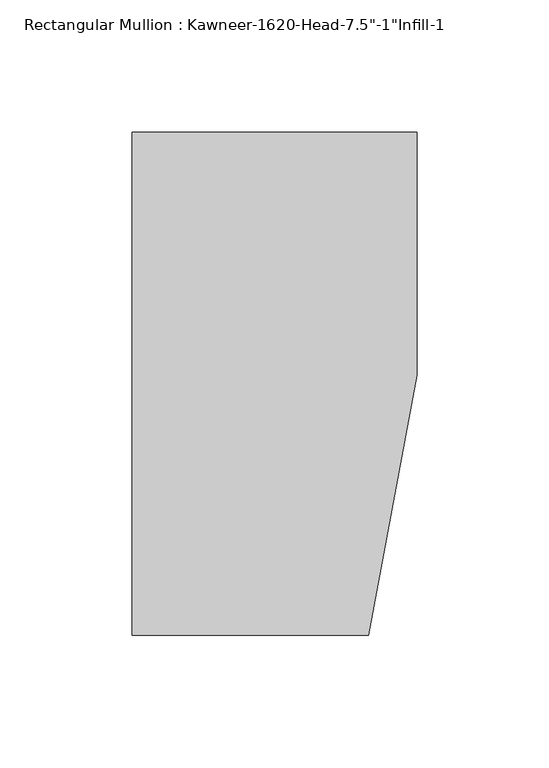
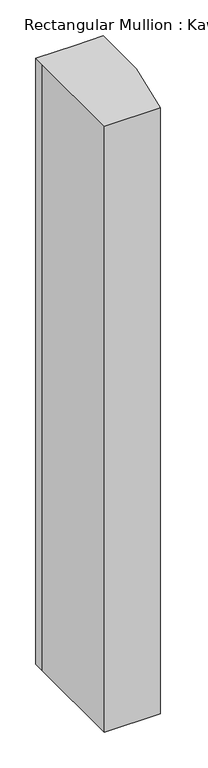
"""IFC4 building model written with IfcOpenShell, lengths in millimetres: member geometry."""

from ifc_helpers import new_model, si_unit, frame, origin, place, context, project, spatial, polyline, outline, extrude, source, transform, mapped, element, save


def member_aa978601(model_context):
    return source(origin(), model_context, "Body", "SweptSolid", [
        extrude(outline(polyline([(-107.95, 19.9095466), (-107.95, 38.1), (-44.1519366, 38.1), (0.0, 38.1), (0.0, -53.975), (-18.3538271, -152.4), (-107.95, -152.4), (-107.95, 19.9095466)])), frame((0.0, 0.0, -1028.7), z_axis=(0.0, 0.0, 1.0), x_axis=(1.0, 0.0, 0.0)), (0.0, 0.0, 1.0), 1028.7),
    ])


if __name__ == "__main__":
    model = new_model("IFC4")
    model_context = context("Model", 3, world=origin())
    ifc_project = project(units=[si_unit("LENGTHUNIT", "METRE", prefix="MILLI")], contexts=[model_context])
    site = spatial("IfcSite", under=ifc_project)
    building = spatial("IfcBuilding", under=site)
    placement = place(None, origin())
    member_shape = member_aa978601(model_context)
    element("IfcMember", 1, ObjectType="Rectangular Mullion : Kawneer-1620-Head-7.5\"-1\"Infill-1", at=placement, inside=building, context=model_context, shape_type="MappedRepresentation", body=[
        mapped(member_shape, transform((0.0, 0.0, 0.0), x_axis=(1.0, 0.0, 0.0), y_axis=(0.0, 1.0, 0.0), z_axis=(0.0, 0.0, 1.0))),
    ])
    save(model, "model.ifc")
